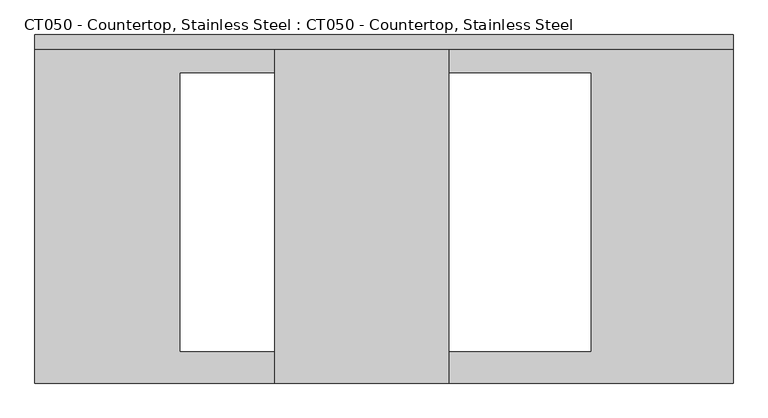
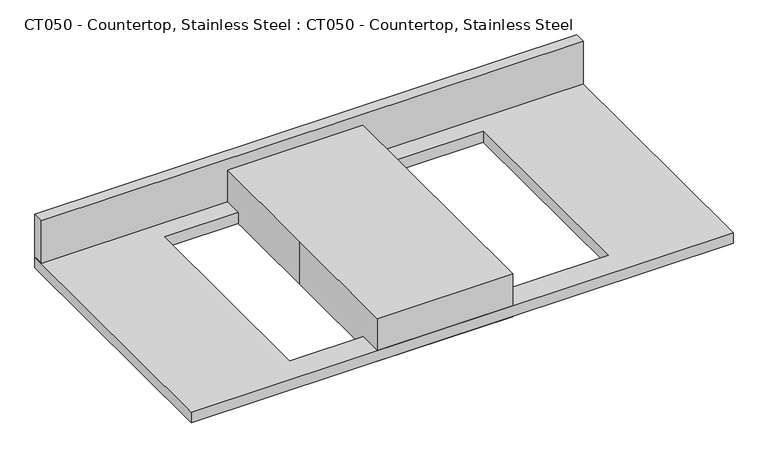
"""IFC4 building model written with IfcOpenShell, lengths in millimetres: proxy geometry, CT050 - Countertop, Stainless Steel : CT050 - Countertop, Stainless Steel."""

import ifcopenshell
import ifcopenshell.guid

model = None  # the IFC model being written
_history = None  # IfcOwnerHistory: only IFC2X3 demands one
_inside = {}  # id of a spatial element -> (the spatial element, [elements in it])
_under = {}  # id of a project, library or spatial element -> (it, [spatial elements below it])
_declared = {}  # id of a project -> (the project, [libraries it declares])
_typed = {}  # id of a type object -> (the type object, [elements of that type])
_made_of = {}  # id of a material, layer set ... -> (it, [elements and type objects made of it])


def new_model(schema):
    """Start an empty IFC model of exactly this schema.

    Asked for "IFC4X3", IfcOpenShell would pick the latest addendum, in which some entities
    have other attributes; the version numbers below select the first issue.
    IFC2X3 requires an IfcOwnerHistory on every rooted entity: one is made here for all.
    """
    global model, _history
    if schema == "IFC4X3":
        model = ifcopenshell.file(schema_version=(4, 3, 0, 0))
    else:
        model = ifcopenshell.file(schema=schema)
    _inside.clear()
    _under.clear()
    _declared.clear()
    _typed.clear()
    _made_of.clear()
    _history = None
    if model.schema == "IFC2X3":
        org = make("IfcOrganization", Name="unknown")
        user = make(
            "IfcPersonAndOrganization",
            ThePerson=make("IfcPerson", FamilyName="unknown"),
            TheOrganization=org,
        )
        app = make(
            "IfcApplication",
            ApplicationDeveloper=org,
            Version="unknown",
            ApplicationFullName="unknown",
            ApplicationIdentifier="unknown",
        )
        _history = make(
            "IfcOwnerHistory",
            OwningUser=user,
            OwningApplication=app,
            ChangeAction="ADDED",
            CreationDate=0,
        )
    return model


def make(cls, **values):
    """One entity of the class cls with the attributes given. An attribute that is None is left unset."""
    return model.create_entity(
        cls, **{name: value for name, value in values.items() if value is not None}
    )


def rooted(cls, **values):
    """An entity with a GlobalId (a new one), such as an element, a storey or a relation."""
    return make(cls, GlobalId=ifcopenshell.guid.new(), OwnerHistory=_history, **values)


def si_unit(unit_type, name, prefix=None):
    """IfcSIUnit, for example si_unit("LENGTHUNIT", "METRE", prefix="MILLI")."""
    return make("IfcSIUnit", UnitType=unit_type, Prefix=prefix, Name=name)


def assignment(units):
    """IfcUnitAssignment: the units of a project."""
    return None if units is None else make("IfcUnitAssignment", Units=units)


def point(xyz):
    """IfcCartesianPoint."""
    return None if xyz is None else make("IfcCartesianPoint", Coordinates=xyz)


def direction(xyz):
    """IfcDirection."""
    return None if xyz is None else make("IfcDirection", DirectionRatios=xyz)


def frame(location, z_axis=None, x_axis=None):
    """IfcAxis2Placement3D, a coordinate frame: its origin and axes. An axis left out is left unset."""
    return make(
        "IfcAxis2Placement3D",
        Location=point(location),
        Axis=direction(z_axis),
        RefDirection=direction(x_axis),
    )


def origin():
    """The frame at (0, 0, 0) with its axes left unset."""
    return frame((0.0, 0.0, 0.0))


def origin_with_axes():
    """The frame at (0, 0, 0) with the z axis (0, 0, 1) and the x axis (1, 0, 0) written out."""
    return frame((0.0, 0.0, 0.0), z_axis=(0.0, 0.0, 1.0), x_axis=(1.0, 0.0, 0.0))


def place(relative_to, where):
    """IfcLocalPlacement: puts the frame where relative to a parent placement (None: the world)."""
    return make(
        "IfcLocalPlacement", PlacementRelTo=relative_to, RelativePlacement=where
    )


def context(
    kind, dimensions, precision=None, world=None, true_north=None, identifier=None
):
    """IfcGeometricRepresentationContext, for example the 3D "Model" context."""
    return make(
        "IfcGeometricRepresentationContext",
        ContextIdentifier=identifier,
        ContextType=kind,
        CoordinateSpaceDimension=dimensions,
        Precision=precision,
        WorldCoordinateSystem=world,
        TrueNorth=true_north,
    )


def project(units=None, contexts=None):
    """IfcProject with its units and contexts."""
    return rooted(
        "IfcProject",
        Name="project",
        RepresentationContexts=contexts,
        UnitsInContext=assignment(units),
    )


def spatial(cls, under=None, at=None, **own):
    """A site, building, storey or space (cls), placed at a placement, below another one or the project."""
    s = rooted(cls, ObjectPlacement=at, **own)
    if under is not None:
        _under.setdefault(under.id(), (under, []))[1].append(s)
    return s


def polyline(points):
    """IfcPolyline through the points."""
    return make("IfcPolyline", Points=[point(p) for p in points])


def outline(outer, holes=None, kind="AREA"):
    """IfcArbitraryClosedProfileDef: a profile drawn as a closed curve; with holes, ...WithVoids."""
    if holes is None:
        return make("IfcArbitraryClosedProfileDef", ProfileType=kind, OuterCurve=outer)
    return make(
        "IfcArbitraryProfileDefWithVoids",
        ProfileType=kind,
        OuterCurve=outer,
        InnerCurves=holes,
    )


def extrude(swept, where, along, depth):
    """IfcExtrudedAreaSolid: the profile swept, set in the frame where, extruded along a direction by depth."""
    return make(
        "IfcExtrudedAreaSolid",
        SweptArea=swept,
        Position=where,
        ExtrudedDirection=direction(along),
        Depth=depth,
    )


def shape(context_of_items, identifier, shape_type, items):
    """IfcShapeRepresentation: the items that make up one representation, for example the "Body"."""
    return make(
        "IfcShapeRepresentation",
        ContextOfItems=context_of_items,
        RepresentationIdentifier=identifier,
        RepresentationType=shape_type,
        Items=items,
    )


def source(mapping_origin, context_of_items, identifier, shape_type, items):
    """IfcRepresentationMap: a shape defined once, which mapped items show again and again."""
    return make(
        "IfcRepresentationMap",
        MappingOrigin=mapping_origin,
        MappedRepresentation=shape(context_of_items, identifier, shape_type, items),
    )


def transform(
    local_origin,
    x_axis=None,
    y_axis=None,
    z_axis=None,
    scale=None,
    scale2=None,
    scale3=None,
    uniform=True,
):
    """IfcCartesianTransformationOperator3D, or its non-uniform kind. x_axis, y_axis, z_axis: its Axis1, 2, 3."""
    if uniform:
        return make(
            "IfcCartesianTransformationOperator3D",
            Axis1=direction(x_axis),
            Axis2=direction(y_axis),
            LocalOrigin=point(local_origin),
            Scale=scale,
            Axis3=direction(z_axis),
        )
    return make(
        "IfcCartesianTransformationOperator3DnonUniform",
        Axis1=direction(x_axis),
        Axis2=direction(y_axis),
        LocalOrigin=point(local_origin),
        Scale=scale,
        Axis3=direction(z_axis),
        Scale2=scale2,
        Scale3=scale3,
    )


def mapped(mapping_source, mapping_target):
    """IfcMappedItem: shows the shape of a source again, moved by a transform."""
    return make(
        "IfcMappedItem", MappingSource=mapping_source, MappingTarget=mapping_target
    )


def made_of(thing, what):
    """Note that an element or type object is made of a material, layer set ...; save() writes the relation."""
    if what is not None:
        _made_of.setdefault(what.id(), (what, []))[1].append(thing)
    return thing


def element(
    cls,
    number,
    at=None,
    inside=None,
    cuts=None,
    type_object=None,
    material=None,
    context=None,
    identifier="Body",
    shape_type=None,
    held_by="IfcProductDefinitionShape",
    body=None,
    shapes=None,
    **own,
):
    """One element of the class cls, such as IfcWall. Its Tag is "e" and its number.

    at: its placement. inside: the storey or other place that contains it. cuts: it is an
    opening in that element (IfcRelVoidsElement). A single representation is given by context,
    identifier, shape_type and body (its items); several are given by shapes. held_by: the class
    of the entity that holds the representations. save() writes the other relations.
    """
    e = rooted(cls, Tag="e%d" % number, ObjectPlacement=at, **own)
    if body is not None:
        shapes = [shape(context, identifier, shape_type, body)]
    if shapes is not None:
        e.Representation = make(held_by, Representations=shapes)
    if inside is not None:
        _inside.setdefault(inside.id(), (inside, []))[1].append(e)
    if cuts is not None:
        rooted(
            "IfcRelVoidsElement", RelatingBuildingElement=cuts, RelatedOpeningElement=e
        )
    if type_object is not None:
        _typed.setdefault(type_object.id(), (type_object, []))[1].append(e)
    return made_of(e, material)


def aggregate(whole, parts):
    """IfcRelAggregates: a whole, such as a stair, and the parts it consists of."""
    return rooted("IfcRelAggregates", RelatingObject=whole, RelatedObjects=parts)


def save(model, path):
    """Write the relations noted so far, then the file.

    IfcRelAggregates (storeys below a building ...), IfcRelContainedInSpatialStructure (elements
    in a storey), IfcRelDefinesByType, IfcRelAssociatesMaterial and IfcRelDeclares: one each for
    every whole, place, type object, material and project.
    """
    for whole, parts in _under.values():
        aggregate(whole, parts)
    for where, things in _inside.values():
        rooted(
            "IfcRelContainedInSpatialStructure",
            RelatedElements=things,
            RelatingStructure=where,
        )
    for kind, things in _typed.values():
        rooted("IfcRelDefinesByType", RelatedObjects=things, RelatingType=kind)
    for what, things in _made_of.values():
        rooted("IfcRelAssociatesMaterial", RelatedObjects=things, RelatingMaterial=what)
    for by, libraries in _declared.values():
        rooted("IfcRelDeclares", RelatingContext=by, RelatedDefinitions=libraries)
    model.write(path)


def ct050_countertop_stainless_steel_ct050_countertop_stainless_30bc2298(model_context):
    return source(origin(), model_context, "Body", "SweptSolid", [
        extrude(outline(polyline([(649.2875, 304.8), (649.2875, -304.8), (-571.5, -304.8), (-571.5, 304.8), (649.2875, 304.8)]), holes=[polyline([(400.05, 237.3771761), (-317.5000001, 237.3771761), (-317.5000001, -249.3181134), (400.05, -249.3181134), (400.05, 237.3771761)])]), origin_with_axes(), (0.0, 0.0, 1.0), 25.4),
        extrude(outline(polyline([(-571.5, 279.4), (-571.5, 304.8), (649.2875, 304.8), (649.2875, 279.4), (-571.5, 279.4)])), frame((0.0, 0.0, 25.4), z_axis=(0.0, 0.0, 1.0), x_axis=(1.0, 0.0, 0.0)), (0.0, 0.0, 1.0), 101.6),
        extrude(outline(polyline([(-152.4, 304.8), (152.4, 304.8), (152.4, -304.8), (-152.4, -304.8), (-152.4, 0.0), (-152.4, 304.8)])), origin_with_axes(), (0.0, 0.0, 1.0), 101.6),
    ])


if __name__ == "__main__":
    model = new_model("IFC4")
    model_context = context("Model", 3, world=origin())
    ifc_project = project(units=[si_unit("LENGTHUNIT", "METRE", prefix="MILLI")], contexts=[model_context])
    site = spatial("IfcSite", under=ifc_project)
    building = spatial("IfcBuilding", under=site)
    placement = place(None, origin())
    ct050_countertop_stainless_steel_ct050_countertop_stainless_shape = ct050_countertop_stainless_steel_ct050_countertop_stainless_30bc2298(model_context)
    element("IfcBuildingElementProxy", 1, Name="CT050 - Countertop, Stainless Steel : CT050 - Countertop, Stainless Steel", ObjectType="CT050 - Countertop, Stainless Steel : CT050 - Countertop, Stainless Steel", at=placement, inside=building, context=model_context, shape_type="MappedRepresentation", body=[
        mapped(ct050_countertop_stainless_steel_ct050_countertop_stainless_shape, transform((0.0, 0.0, 0.0), x_axis=(1.0, 0.0, 0.0), y_axis=(0.0, 1.0, 0.0), z_axis=(0.0, 0.0, 1.0))),
    ])
    save(model, "model.ifc")
